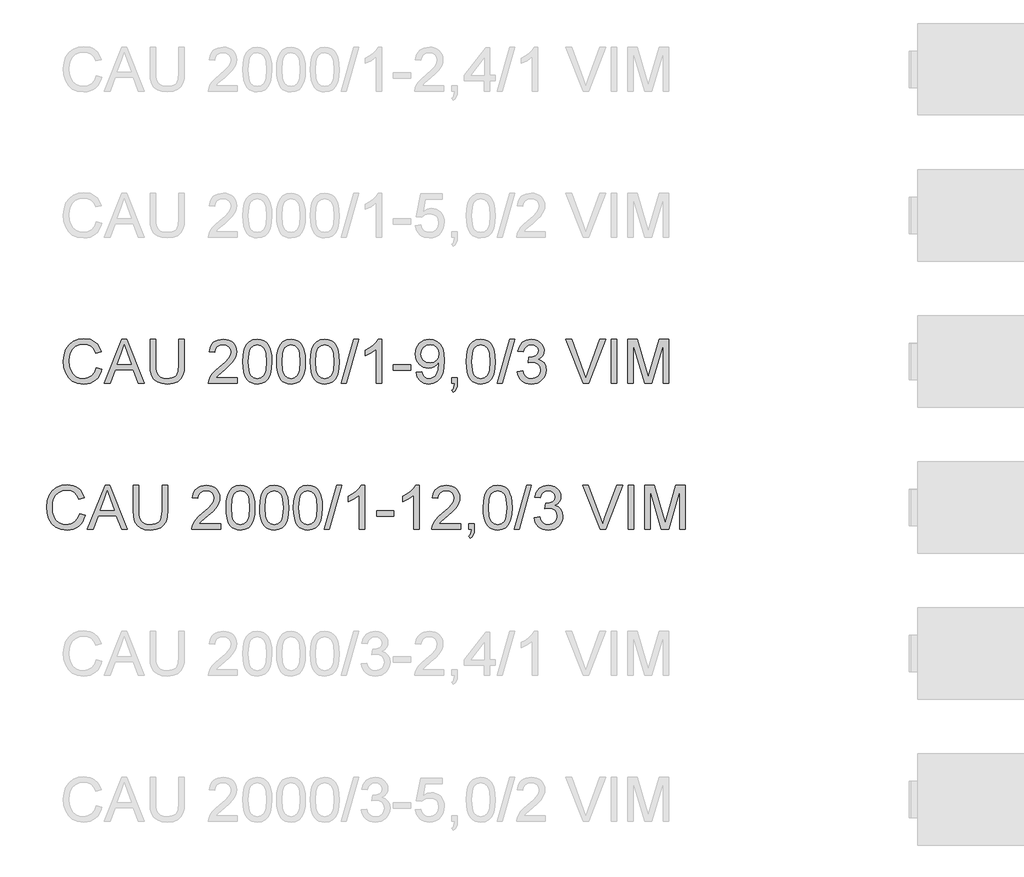
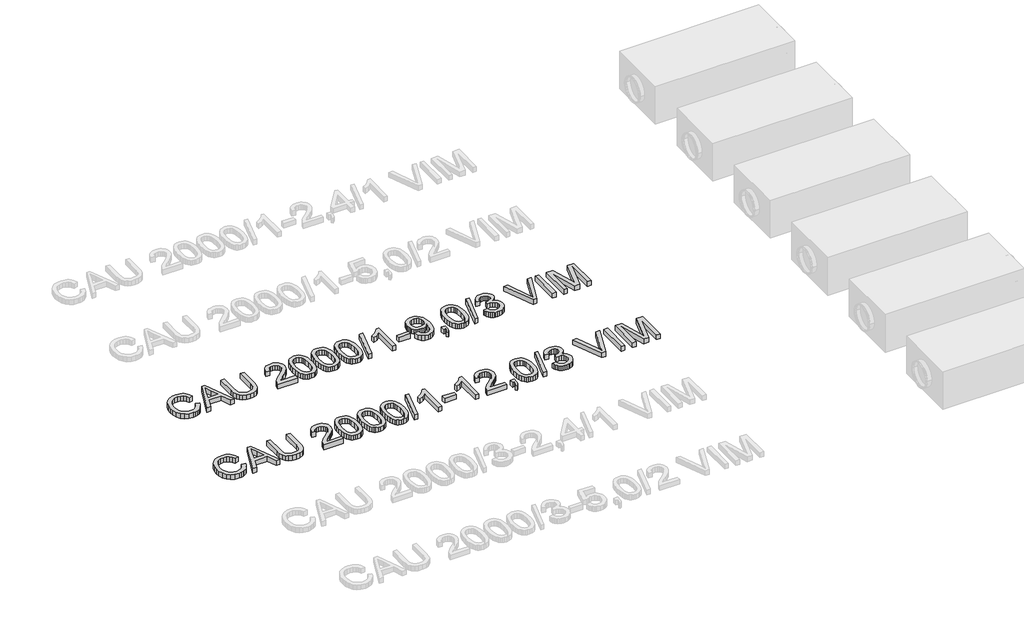
# One storey, part 63 of 74: 2 proxies.
"""IFC4 building model written with IfcOpenShell, lengths in millimetres."""

from ifc_helpers import new_model, si_unit, origin, origin_with_axes, place, context, project, spatial, polyline, outline, extrude, element, save

model = new_model("IFC4")

# Units and contexts
model_context = context("Model", 3, world=origin())
ifc_project = project(units=[si_unit("LENGTHUNIT", "METRE", prefix="MILLI")], contexts=[model_context])

# Site, building, storey
site = spatial("IfcSite", under=ifc_project)
building = spatial("IfcBuilding", under=site)
storey = spatial("IfcBuildingStorey", under=building, Elevation=0.0)

# Proxies
placement = place(None, origin())
element("IfcBuildingElementProxy", 1, Name="Generic Models", at=placement, inside=storey, context=model_context, shape_type="SweptSolid", body=[
    extrude(outline(polyline([(34655.0606318, -5799.1632103), (34692.7317481, -5808.875295), (34685.2775392, -5832.3024803), (34675.3493239, -5852.7728141), (34662.9471021, -5870.2862963), (34648.0708739, -5884.842927), (34631.0563316, -5896.2863563), (34612.2391676, -5904.4602344), (34591.6193818, -5909.3645613), (34569.1969742, -5910.9993369), (34525.5017902, -5906.051324), (34490.801321, -5891.2072855), (34464.2034527, -5866.9822562), (34444.8160716, -5833.8912707), (34432.9794684, -5794.9877497), (34429.033934, -5753.3251137), (34433.4945032, -5709.3816094), (34446.8762108, -5671.4345816), (34468.4800809, -5640.6888439), (34497.6071379, -5618.3492097), (34532.1512572, -5604.7467729), (34570.0063145, -5600.2126274), (34611.3102656, -5606.0803452), (34629.2790018, -5613.4149925), (34645.4589118, -5623.6834986), (34659.5832811, -5636.6145508), (34671.3853954, -5651.9368359), (34688.0228586, -5689.755105), (34650.3517423, -5698.7314257), (34637.2919315, -5671.2598377), (34619.4496547, -5652.4150825), (34596.6041828, -5641.5165784), (34568.5347866, -5637.8837437), (34536.1795651, -5641.9120515), (34509.6000909, -5653.996975), (34489.4309606, -5672.8693214), (34476.3067704, -5697.2598977), (34469.1054803, -5724.8326532), (34466.7050503, -5753.2515373), (34469.5469387, -5788.0531741), (34478.072604, -5818.1459213), (34492.6039428, -5842.3801477), (34513.4628519, -5859.6062222), (34538.4696305, -5869.897721), (34565.4445778, -5873.3282206), (34596.8892913, -5868.6561192), (34623.0916864, -5854.6398152), (34642.8745407, -5831.4264613), (34655.0606318, -5799.1632103)])), origin_with_axes(), (0.0, 0.0, 1.0), 50.0),
    extrude(outline(polyline([(34709.4335907, -5906.2904473), (34829.7310031, -5604.9215169), (34861.8103131, -5604.9215169), (34982.1077255, -5906.2904473), (34942.3028937, -5906.2904473), (34907.7955625, -5812.1126566), (34783.6721773, -5812.1126566), (34749.2384226, -5906.2904473), (34709.4335907, -5906.2904473)]), holes=[polyline([(34797.5045404, -5774.4415403), (34894.0367759, -5774.4415403), (34866.8870847, -5700.3501064), (34845.7706581, -5642.5926332), (34827.0086764, -5693.8753833), (34797.5045404, -5774.4415403)])]), origin_with_axes(), (0.0, 0.0, 1.0), 50.0),
    extrude(outline(polyline([(35220.1273764, -5604.9215169), (35257.7984927, -5604.9215169), (35257.7984927, -5778.7825478), (35255.2417129, -5819.4978876), (35247.5713733, -5850.8506307), (35233.2423696, -5875.0388719), (35210.7095973, -5894.2607061), (35179.9178743, -5906.8146792), (35140.8120183, -5910.9993369), (35102.5614878, -5907.3573051), (35071.981297, -5896.4312099), (35049.0622487, -5878.5981302), (35033.7951459, -5854.235145), (35025.2142983, -5821.5580268), (35022.3540158, -5778.7825478), (35022.3540158, -5604.9215169), (35060.0251321, -5604.9215169), (35060.0251321, -5777.4581726), (35061.8829362, -5811.3125132), (35067.4563484, -5834.8845521), (35077.5547092, -5851.2093156), (35092.9873589, -5863.3218303), (35113.110504, -5870.826623), (35137.2803511, -5873.3282206), (35175.5952609, -5868.3802077), (35189.9380602, -5862.1951917), (35201.0710891, -5853.5361692), (35209.4082148, -5841.3592752), (35215.3633046, -5824.6206444), (35220.1273764, -5777.4581726), (35220.1273764, -5604.9215169)])), origin_with_axes(), (0.0, 0.0, 1.0), 50.0),
    extrude(outline(polyline([(35620.3829872, -5868.619331), (35620.3829872, -5906.2904473), (35422.6096266, -5906.2904473), (35426.6563285, -5880.3179785), (35435.9453489, -5860.0200894), (35449.5385886, -5840.3292056), (35469.2018813, -5819.7186168), (35496.7010604, -5796.6616128), (35537.3520209, -5760.553995), (35561.7425971, -5733.9009444), (35573.9378853, -5712.2694831), (35578.0029813, -5691.226633), (35574.1678115, -5672.3634837), (35562.6623021, -5656.6825136), (35544.9763752, -5646.1151033), (35522.5999529, -5642.5926332), (35499.1014904, -5646.0323299), (35480.8453464, -5656.3514198), (35469.0639255, -5672.7405627), (35464.9896324, -5694.3904181), (35427.3185161, -5689.6815286), (35436.4511866, -5653.242817), (35444.9975452, -5638.7068796), (35456.1972527, -5626.6265546), (35469.7927917, -5617.1306006), (35485.5266448, -5610.3477763), (35523.4092932, -5604.9215169), (35543.599117, -5606.4298331), (35561.5678532, -5610.9547816), (35577.3155019, -5618.4963625), (35590.842063, -5629.0545758), (35601.7060781, -5641.8476722), (35609.466089, -5656.0939024), (35614.1220955, -5671.7932666), (35615.6740976, -5688.9457646), (35614.0002346, -5706.9627853), (35608.9786453, -5724.6671063), (35600.066704, -5742.67493), (35586.7217846, -5761.6024586), (35565.4490082, -5784.1996102), (35532.7534959, -5813.2163026), (35489.4169969, -5849.4526791), (35472.4208487, -5868.619331), (35620.3829872, -5868.619331)])), origin_with_axes(), (0.0, 0.0, 1.0), 50.0),
    extrude(outline(polyline([(35658.0541035, -5758.0340033), (35660.8224155, -5709.7954767), (35669.1273515, -5671.324217), (35682.8861382, -5642.0316132), (35702.0160019, -5621.3290539), (35726.6548985, -5609.0234011), (35756.9407838, -5604.9215169), (35780.1541377, -5607.3495381), (35800.9394704, -5614.6336016), (35818.3218947, -5626.4885989), (35831.3265232, -5642.6294214), (35841.1489725, -5662.9181134), (35848.984859, -5687.2167192), (35854.1168128, -5718.0728216), (35855.8274641, -5758.0340033), (35853.0867432, -5805.9966184), (35844.8645806, -5844.3759076), (35831.1885675, -5873.6961026), (35812.0862949, -5894.4814353), (35787.3922159, -5906.8698615), (35756.9407838, -5910.9993369), (35736.1922393, -5909.2059122), (35717.7981395, -5903.825638), (35701.7584845, -5894.8585143), (35688.0732743, -5882.3045413), (35674.9398871, -5859.6108207), (35665.5588962, -5831.3344908), (35659.9303017, -5797.4755517), (35658.0541035, -5758.0340033)]), holes=[polyline([(35695.7252198, -5757.9604269), (35700.1398037, -5817.2170193), (35705.6580337, -5837.4850179), (35713.3835556, -5851.5128183), (35733.1020305, -5867.87437), (35756.9407838, -5873.3282206), (35780.7795371, -5867.8559759), (35800.498012, -5851.4392419), (35808.2235339, -5837.3884489), (35813.7417638, -5817.1250488), (35818.1563478, -5757.9604269), (35813.8889166, -5700.0374067), (35808.5546277, -5679.8360867), (35801.0866232, -5665.4748933), (35781.4049365, -5648.3131982), (35756.4993254, -5642.5926332), (35732.9180895, -5647.6326165), (35713.9721667, -5662.7525665), (35705.9891275, -5678.3875513), (35700.2869565, -5699.4671897), (35695.7252198, -5757.9604269)])]), origin_with_axes(), (0.0, 0.0, 1.0), 50.0),
    extrude(outline(polyline([(35888.7896909, -5758.0340033), (35891.5580029, -5709.7954767), (35899.8629389, -5671.324217), (35913.6217255, -5642.0316132), (35932.7515893, -5621.3290539), (35957.3904859, -5609.0234011), (35987.6763712, -5604.9215169), (36010.8897251, -5607.3495381), (36031.6750578, -5614.6336016), (36049.0574821, -5626.4885989), (36062.0621106, -5642.6294214), (36071.8845599, -5662.9181134), (36079.7204464, -5687.2167192), (36084.8524002, -5718.0728216), (36086.5630515, -5758.0340033), (36083.8223306, -5805.9966184), (36075.600168, -5844.3759076), (36061.9241548, -5873.6961026), (36042.8218822, -5894.4814353), (36018.1278033, -5906.8698615), (35987.6763712, -5910.9993369), (35966.9278266, -5909.2059122), (35948.5337269, -5903.825638), (35932.4940719, -5894.8585143), (35918.8088617, -5882.3045413), (35905.6754744, -5859.6108207), (35896.2944836, -5831.3344908), (35890.665889, -5797.4755517), (35888.7896909, -5758.0340033)]), holes=[polyline([(35926.4608072, -5757.9604269), (35930.8753911, -5817.2170193), (35936.393621, -5837.4850179), (35944.1191429, -5851.5128183), (35963.8376179, -5867.87437), (35987.6763712, -5873.3282206), (36011.5151244, -5867.8559759), (36031.2335994, -5851.4392419), (36038.9591213, -5837.3884489), (36044.4773512, -5817.1250488), (36048.8919352, -5757.9604269), (36044.624504, -5700.0374067), (36039.2902151, -5679.8360867), (36031.8222106, -5665.4748933), (36012.1405238, -5648.3131982), (35987.2349128, -5642.5926332), (35963.6536769, -5647.6326165), (35944.7077541, -5662.7525665), (35936.7247148, -5678.3875513), (35931.0225439, -5699.4671897), (35926.4608072, -5757.9604269)])]), origin_with_axes(), (0.0, 0.0, 1.0), 50.0),
    extrude(outline(polyline([(36119.5252782, -5758.0340033), (36122.2935902, -5709.7954767), (36130.5985263, -5671.324217), (36144.3573129, -5642.0316132), (36163.4871767, -5621.3290539), (36188.1260733, -5609.0234011), (36218.4119585, -5604.9215169), (36241.6253124, -5607.3495381), (36262.4106452, -5614.6336016), (36279.7930694, -5626.4885989), (36292.797698, -5642.6294214), (36302.6201472, -5662.9181134), (36310.4560337, -5687.2167192), (36315.5879876, -5718.0728216), (36317.2986388, -5758.0340033), (36314.557918, -5805.9966184), (36306.3357554, -5844.3759076), (36292.6597422, -5873.6961026), (36273.5574696, -5894.4814353), (36248.8633907, -5906.8698615), (36218.4119585, -5910.9993369), (36197.663414, -5909.2059122), (36179.2693142, -5903.825638), (36163.2296593, -5894.8585143), (36149.544449, -5882.3045413), (36136.4110618, -5859.6108207), (36127.0300709, -5831.3344908), (36121.4014764, -5797.4755517), (36119.5252782, -5758.0340033)]), holes=[polyline([(36157.1963945, -5757.9604269), (36161.6109785, -5817.2170193), (36167.1292084, -5837.4850179), (36174.8547303, -5851.5128183), (36194.5732052, -5867.87437), (36218.4119585, -5873.3282206), (36242.2507118, -5867.8559759), (36261.9691868, -5851.4392419), (36269.6947087, -5837.3884489), (36275.2129386, -5817.1250488), (36279.6275225, -5757.9604269), (36275.3600914, -5700.0374067), (36270.0258025, -5679.8360867), (36262.557798, -5665.4748933), (36242.8761112, -5648.3131982), (36217.9705001, -5642.5926332), (36194.3892642, -5647.6326165), (36175.4433415, -5662.7525665), (36167.4603022, -5678.3875513), (36161.7581313, -5699.4671897), (36157.1963945, -5757.9604269)])]), origin_with_axes(), (0.0, 0.0, 1.0), 50.0),
    extrude(outline(polyline([(36331.4253075, -5906.2904473), (36416.1853191, -5604.9215169), (36450.1776155, -5604.9215169), (36365.4176038, -5906.2904473), (36331.4253075, -5906.2904473)])), origin_with_axes(), (0.0, 0.0, 1.0), 50.0),
    extrude(outline(polyline([(36609.2497902, -5906.2904473), (36571.5786739, -5906.2904473), (36571.5786739, -5671.4345816), (36535.8941204, -5696.8552275), (36496.2364413, -5715.8747266), (36496.2364413, -5680.2637495), (36525.8233508, -5664.1689122), (36551.4555288, -5645.0206544), (36571.6614474, -5624.6583859), (36584.9695785, -5604.9215169), (36609.2497902, -5604.9215169), (36609.2497902, -5906.2904473)])), origin_with_axes(), (0.0, 0.0, 1.0), 50.0),
    extrude(outline(polyline([(36689.3009124, -5816.8215461), (36689.3009124, -5779.1504298), (36807.0231508, -5779.1504298), (36807.0231508, -5816.8215461), (36689.3009124, -5816.8215461)])), origin_with_axes(), (0.0, 0.0, 1.0), 50.0),
    extrude(outline(polyline([(36844.6942671, -5830.9482147), (36882.3653834, -5826.2393252), (36888.8033183, -5847.6224662), (36899.2879552, -5862.1813961), (36913.5617766, -5870.5415145), (36931.3672652, -5873.3282206), (36947.3425408, -5871.5347958), (36961.8646826, -5866.1545217), (36973.931212, -5857.7760092), (36982.5396507, -5846.9878697), (36994.8636976, -5814.2463721), (37000.3083511, -5770.5419911), (37000.0876219, -5763.1843512), (36987.0370081, -5779.1136416), (36969.9580865, -5791.731994), (36950.0832617, -5799.9541566), (36928.6449384, -5802.6948775), (36910.7497786, -5801.0210144), (36894.2939571, -5795.9994252), (36879.2774739, -5787.6301098), (36865.700329, -5775.9130682), (36854.4500378, -5761.4599044), (36846.4141155, -5744.882222), (36841.5925621, -5726.180021), (36839.9853776, -5705.3533016), (36841.670737, -5683.8322049), (36846.7268151, -5664.5184001), (36855.1536121, -5647.4118873), (36866.9511278, -5632.5126665), (36881.2870293, -5620.4415386), (36897.3289836, -5611.8193043), (36915.0769906, -5606.6459637), (36934.5310503, -5604.9215169), (36962.6280377, -5608.8578542), (36988.2050334, -5620.6668663), (37009.5973715, -5639.7599418), (37025.1403858, -5665.5484697), (37034.6041501, -5701.196235), (37037.7587382, -5749.867023), (37034.6133471, -5801.4716699), (37025.177174, -5841.3592752), (37009.5329921, -5871.3324607), (36987.763575, -5893.1938483), (36960.8070219, -5906.5479647), (36929.6014316, -5910.9993369), (36897.3933629, -5905.7478214), (36871.6968056, -5889.993275), (36853.7257701, -5864.7289789), (36844.6942671, -5830.9482147)]), holes=[polyline([(37000.0876219, -5704.4703848), (36996.0225258, -5678.9393743), (36983.8272377, -5659.2944758), (36964.899709, -5646.7680938), (36940.6378915, -5642.5926332), (36915.474763, -5647.0899906), (36895.3148297, -5660.5820628), (36882.0710778, -5681.2294397), (36877.6564939, -5707.1927116), (36881.8319545, -5730.4704448), (36894.3583365, -5748.947318), (36914.0216291, -5761.0046504), (36939.6078219, -5765.0237612), (36963.6765014, -5761.0046504), (36983.0546855, -5748.947318), (36995.8293878, -5729.7898631), (37000.0876219, -5704.4703848)])]), origin_with_axes(), (0.0, 0.0, 1.0), 50.0),
    extrude(outline(polyline([(37089.5565231, -5906.2904473), (37089.5565231, -5868.619331), (37127.2276394, -5868.619331), (37127.2276394, -5906.2904473), (37125.5353822, -5927.8391352), (37120.4586107, -5944.8076922), (37111.7030192, -5957.8215178), (37098.9743022, -5967.5060113), (37089.5565231, -5953.3793427), (37097.7235034, -5946.5551317), (37103.3888861, -5937.1189585), (37108.3185049, -5906.2904473), (37089.5565231, -5906.2904473)])), origin_with_axes(), (0.0, 0.0, 1.0), 50.0),
    extrude(outline(polyline([(37188.4432034, -5758.0340033), (37191.2115154, -5709.7954767), (37199.5164515, -5671.324217), (37213.2752381, -5642.0316132), (37232.4051018, -5621.3290539), (37257.0439985, -5609.0234011), (37287.3298837, -5604.9215169), (37310.5432376, -5607.3495381), (37331.3285703, -5614.6336016), (37348.7109946, -5626.4885989), (37361.7156231, -5642.6294214), (37371.5380724, -5662.9181134), (37379.3739589, -5687.2167192), (37384.5059127, -5718.0728216), (37386.216564, -5758.0340033), (37383.4758432, -5805.9966184), (37375.2536806, -5844.3759076), (37361.5776674, -5873.6961026), (37342.4753948, -5894.4814353), (37317.7813159, -5906.8698615), (37287.3298837, -5910.9993369), (37266.5813392, -5909.2059122), (37248.1872394, -5903.825638), (37232.1475844, -5894.8585143), (37218.4623742, -5882.3045413), (37205.328987, -5859.6108207), (37195.9479961, -5831.3344908), (37190.3194016, -5797.4755517), (37188.4432034, -5758.0340033)]), holes=[polyline([(37226.1143197, -5757.9604269), (37230.5289037, -5817.2170193), (37236.0471336, -5837.4850179), (37243.7726555, -5851.5128183), (37263.4911304, -5867.87437), (37287.3298837, -5873.3282206), (37311.168637, -5867.8559759), (37330.8871119, -5851.4392419), (37338.6126338, -5837.3884489), (37344.1308638, -5817.1250488), (37348.5454477, -5757.9604269), (37344.2780166, -5700.0374067), (37338.9437276, -5679.8360867), (37331.4757231, -5665.4748933), (37311.7940364, -5648.3131982), (37286.8884253, -5642.5926332), (37263.3071894, -5647.6326165), (37244.3612667, -5662.7525665), (37236.3782274, -5678.3875513), (37230.6760565, -5699.4671897), (37226.1143197, -5757.9604269)])]), origin_with_axes(), (0.0, 0.0, 1.0), 50.0),
    extrude(outline(polyline([(37400.3432326, -5906.2904473), (37485.1032443, -5604.9215169), (37519.0955407, -5604.9215169), (37434.335529, -5906.2904473), (37400.3432326, -5906.2904473)])), origin_with_axes(), (0.0, 0.0, 1.0), 50.0),
    extrude(outline(polyline([(37536.9010292, -5826.2393252), (37574.5721456, -5821.5304357), (37583.0058403, -5845.203642), (37595.3574783, -5861.1881147), (37612.2340648, -5870.2931941), (37634.2426052, -5873.3282206), (37660.0679212, -5869.1527599), (37680.0071254, -5856.626378), (37692.7542365, -5837.9379726), (37697.0032735, -5815.2764417), (37692.7910247, -5793.7645421), (37680.1542782, -5776.3177384), (37661.0244144, -5764.7570467), (37637.3328139, -5760.9034828), (37610.9188867, -5765.0237612), (37615.1127414, -5727.3526449), (37621.1460061, -5727.7941033), (37643.7155665, -5725.0901706), (37663.893894, -5716.9783726), (37678.1309272, -5703.2563742), (37682.8766049, -5683.7218403), (37679.4369083, -5667.452259), (37669.1178183, -5654.2544924), (37653.3724689, -5645.508098), (37633.653994, -5642.5926332), (37613.8987308, -5645.5356892), (37597.7487112, -5654.364857), (37585.9580933, -5669.0801369), (37579.2810351, -5689.6815286), (37541.6099188, -5684.972639), (37552.7015609, -5651.1458896), (37572.43843, -5625.8907906), (37599.4409684, -5610.1638353), (37632.3296188, -5604.9215169), (37656.0120222, -5607.5058879), (37677.7630452, -5615.259001), (37696.1019627, -5627.4910773), (37709.5480496, -5643.5123382), (37717.7978033, -5661.9708173), (37720.5477212, -5681.5145483), (37717.9357591, -5699.724707), (37710.0998726, -5716.2426086), (37697.1504263, -5730.3140949), (37679.197785, -5741.1850079), (37702.7790209, -5750.7131516), (37720.2534156, -5766.9367476), (37731.0691463, -5788.9728791), (37734.6743899, -5815.9386293), (37732.8717681, -5835.050099), (37727.4639027, -5852.6532524), (37718.4507939, -5868.7480897), (37705.8324414, -5883.3346108), (37690.4595726, -5895.4379285), (37673.1829144, -5904.0831554), (37654.0024668, -5909.2702915), (37632.91823, -5910.9993369), (37613.8619426, -5909.5232104), (37596.4979125, -5905.0948309), (37580.8261395, -5897.7141983), (37566.8466237, -5887.3813128), (37555.1249836, -5874.7031795), (37546.2268378, -5860.2868038), (37540.1521864, -5844.1321857), (37536.9010292, -5826.2393252)])), origin_with_axes(), (0.0, 0.0, 1.0), 50.0),
    extrude(outline(polyline([(37988.5129665, -5906.2904473), (37868.5834361, -5604.9215169), (37908.9033028, -5604.9215169), (37989.1751541, -5822.0454704), (38005.4355383, -5870.9737758), (38021.4751933, -5822.0454704), (38101.9677738, -5604.9215169), (38142.2876405, -5604.9215169), (38027.4348816, -5906.2904473), (37988.5129665, -5906.2904473)])), origin_with_axes(), (0.0, 0.0, 1.0), 50.0),
    extrude(outline(polyline([(38182.018896, -5906.2904473), (38182.018896, -5604.9215169), (38219.6900123, -5604.9215169), (38219.6900123, -5906.2904473), (38182.018896, -5906.2904473)])), origin_with_axes(), (0.0, 0.0, 1.0), 50.0),
    extrude(outline(polyline([(38295.0322449, -5906.2904473), (38295.0322449, -5604.9215169), (38359.8530525, -5604.9215169), (38421.5100748, -5817.3365809), (38433.9444863, -5861.7031495), (38447.4089673, -5813.657761), (38508.0359201, -5604.9215169), (38572.8567277, -5604.9215169), (38572.8567277, -5906.2904473), (38535.1856114, -5906.2904473), (38535.1856114, -5642.5926332), (38459.4754968, -5906.2904473), (38408.4134758, -5906.2904473), (38332.7033612, -5642.5926332), (38332.7033612, -5906.2904473), (38295.0322449, -5906.2904473)])), origin_with_axes(), (0.0, 0.0, 1.0), 50.0),
])
element("IfcBuildingElementProxy", 2, Name="Generic Models", at=placement, inside=storey, context=model_context, shape_type="SweptSolid", body=[
    extrude(outline(polyline([(34539.6928381, -6799.1632103), (34577.3639544, -6808.875295), (34569.9097455, -6832.3024803), (34559.9815302, -6852.7728141), (34547.5793084, -6870.2862963), (34532.7030802, -6884.842927), (34515.688538, -6896.2863563), (34496.8713739, -6904.4602344), (34476.2515881, -6909.3645613), (34453.8291805, -6910.9993369), (34410.1339965, -6906.051324), (34375.4335273, -6891.2072855), (34348.835659, -6866.9822562), (34329.4482779, -6833.8912707), (34317.6116747, -6794.9877497), (34313.6661403, -6753.3251137), (34318.1267095, -6709.3816094), (34331.5084171, -6671.4345816), (34353.1122872, -6640.6888439), (34382.2393442, -6618.3492097), (34416.7834636, -6604.7467729), (34454.6385209, -6600.2126274), (34495.9424719, -6606.0803452), (34513.9112081, -6613.4149925), (34530.0911181, -6623.6834986), (34544.2154874, -6636.6145508), (34556.0176017, -6651.9368359), (34572.6550649, -6689.755105), (34534.9839486, -6698.7314257), (34521.9241378, -6671.2598377), (34504.081861, -6652.4150825), (34481.2363891, -6641.5165784), (34453.1669929, -6637.8837437), (34420.8117714, -6641.9120515), (34394.2322973, -6653.996975), (34374.0631669, -6672.8693214), (34360.9389767, -6697.2598977), (34353.7376866, -6724.8326532), (34351.3372566, -6753.2515373), (34354.179145, -6788.0531741), (34362.7048103, -6818.1459213), (34377.2361491, -6842.3801477), (34398.0950582, -6859.6062222), (34423.1018368, -6869.897721), (34450.0767841, -6873.3282206), (34481.5214977, -6868.6561192), (34507.7238928, -6854.6398152), (34527.5067471, -6831.4264613), (34539.6928381, -6799.1632103)])), origin_with_axes(), (0.0, 0.0, 1.0), 50.0),
    extrude(outline(polyline([(34594.065797, -6906.2904473), (34714.3632095, -6604.9215169), (34746.4425194, -6604.9215169), (34866.7399319, -6906.2904473), (34826.9351, -6906.2904473), (34792.4277688, -6812.1126566), (34668.3043837, -6812.1126566), (34633.8706289, -6906.2904473), (34594.065797, -6906.2904473)]), holes=[polyline([(34682.1367467, -6774.4415403), (34778.6689822, -6774.4415403), (34751.519291, -6700.3501064), (34730.4028644, -6642.5926332), (34711.6408827, -6693.8753833), (34682.1367467, -6774.4415403)])]), origin_with_axes(), (0.0, 0.0, 1.0), 50.0),
    extrude(outline(polyline([(35104.7595827, -6604.9215169), (35142.430699, -6604.9215169), (35142.430699, -6778.7825478), (35139.8739192, -6819.4978876), (35132.2035796, -6850.8506307), (35117.8745759, -6875.0388719), (35095.3418037, -6894.2607061), (35064.5500807, -6906.8146792), (35025.4442246, -6910.9993369), (34987.1936941, -6907.3573051), (34956.6135033, -6896.4312099), (34933.694455, -6878.5981302), (34918.4273522, -6854.235145), (34909.8465046, -6821.5580268), (34906.9862221, -6778.7825478), (34906.9862221, -6604.9215169), (34944.6573384, -6604.9215169), (34944.6573384, -6777.4581726), (34946.5151425, -6811.3125132), (34952.0885547, -6834.8845521), (34962.1869155, -6851.2093156), (34977.6195652, -6863.3218303), (34997.7427103, -6870.826623), (35021.9125574, -6873.3282206), (35060.2274672, -6868.3802077), (35074.5702665, -6862.1951917), (35085.7032954, -6853.5361692), (35094.0404211, -6841.3592752), (35099.9955109, -6824.6206444), (35104.7595827, -6777.4581726), (35104.7595827, -6604.9215169)])), origin_with_axes(), (0.0, 0.0, 1.0), 50.0),
    extrude(outline(polyline([(35505.0151935, -6868.619331), (35505.0151935, -6906.2904473), (35307.2418329, -6906.2904473), (35311.2885348, -6880.3179785), (35320.5775552, -6860.0200894), (35334.1707949, -6840.3292056), (35353.8340876, -6819.7186168), (35381.3332667, -6796.6616128), (35421.9842272, -6760.553995), (35446.3748035, -6733.9009444), (35458.5700916, -6712.2694831), (35462.6351876, -6691.226633), (35458.8000178, -6672.3634837), (35447.2945084, -6656.6825136), (35429.6085815, -6646.1151033), (35407.2321592, -6642.5926332), (35383.7336967, -6646.0323299), (35365.4775527, -6656.3514198), (35353.6961318, -6672.7405627), (35349.6218387, -6694.3904181), (35311.9507224, -6689.6815286), (35321.0833929, -6653.242817), (35329.6297515, -6638.7068796), (35340.829459, -6626.6265546), (35354.424998, -6617.1306006), (35370.1588511, -6610.3477763), (35408.0414996, -6604.9215169), (35428.2313233, -6606.4298331), (35446.2000595, -6610.9547816), (35461.9477082, -6618.4963625), (35475.4742693, -6629.0545758), (35486.3382844, -6641.8476722), (35494.0982953, -6656.0939024), (35498.7543018, -6671.7932666), (35500.3063039, -6688.9457646), (35498.6324409, -6706.9627853), (35493.6108516, -6724.6671063), (35484.6989103, -6742.67493), (35471.3539909, -6761.6024586), (35450.0812146, -6784.1996102), (35417.3857022, -6813.2163026), (35374.0492032, -6849.4526791), (35357.053055, -6868.619331), (35505.0151935, -6868.619331)])), origin_with_axes(), (0.0, 0.0, 1.0), 50.0),
    extrude(outline(polyline([(35542.6863098, -6758.0340033), (35545.4546218, -6709.7954767), (35553.7595578, -6671.324217), (35567.5183445, -6642.0316132), (35586.6482082, -6621.3290539), (35611.2871048, -6609.0234011), (35641.5729901, -6604.9215169), (35664.786344, -6607.3495381), (35685.5716767, -6614.6336016), (35702.954101, -6626.4885989), (35715.9587295, -6642.6294214), (35725.7811788, -6662.9181134), (35733.6170653, -6687.2167192), (35738.7490191, -6718.0728216), (35740.4596704, -6758.0340033), (35737.7189495, -6805.9966184), (35729.4967869, -6844.3759076), (35715.8207738, -6873.6961026), (35696.7185012, -6894.4814353), (35672.0244222, -6906.8698615), (35641.5729901, -6910.9993369), (35620.8244456, -6909.2059122), (35602.4303458, -6903.825638), (35586.3906908, -6894.8585143), (35572.7054806, -6882.3045413), (35559.5720934, -6859.6108207), (35550.1911025, -6831.3344908), (35544.562508, -6797.4755517), (35542.6863098, -6758.0340033)]), holes=[polyline([(35580.3574261, -6757.9604269), (35584.77201, -6817.2170193), (35590.29024, -6837.4850179), (35598.0157619, -6851.5128183), (35617.7342368, -6867.87437), (35641.5729901, -6873.3282206), (35665.4117434, -6867.8559759), (35685.1302183, -6851.4392419), (35692.8557402, -6837.3884489), (35698.3739702, -6817.1250488), (35702.7885541, -6757.9604269), (35698.5211229, -6700.0374067), (35693.186834, -6679.8360867), (35685.7188295, -6665.4748933), (35666.0371428, -6648.3131982), (35641.1315317, -6642.5926332), (35617.5502958, -6647.6326165), (35598.6043731, -6662.7525665), (35590.6213338, -6678.3875513), (35584.9191628, -6699.4671897), (35580.3574261, -6757.9604269)])]), origin_with_axes(), (0.0, 0.0, 1.0), 50.0),
    extrude(outline(polyline([(35773.4218972, -6758.0340033), (35776.1902092, -6709.7954767), (35784.4951452, -6671.324217), (35798.2539318, -6642.0316132), (35817.3837956, -6621.3290539), (35842.0226922, -6609.0234011), (35872.3085775, -6604.9215169), (35895.5219314, -6607.3495381), (35916.3072641, -6614.6336016), (35933.6896884, -6626.4885989), (35946.6943169, -6642.6294214), (35956.5167662, -6662.9181134), (35964.3526527, -6687.2167192), (35969.4846065, -6718.0728216), (35971.1952578, -6758.0340033), (35968.4545369, -6805.9966184), (35960.2323743, -6844.3759076), (35946.5563611, -6873.6961026), (35927.4540885, -6894.4814353), (35902.7600096, -6906.8698615), (35872.3085775, -6910.9993369), (35851.5600329, -6909.2059122), (35833.1659332, -6903.825638), (35817.1262782, -6894.8585143), (35803.441068, -6882.3045413), (35790.3076807, -6859.6108207), (35780.9266899, -6831.3344908), (35775.2980953, -6797.4755517), (35773.4218972, -6758.0340033)]), holes=[polyline([(35811.0930135, -6757.9604269), (35815.5075974, -6817.2170193), (35821.0258273, -6837.4850179), (35828.7513492, -6851.5128183), (35848.4698242, -6867.87437), (35872.3085775, -6873.3282206), (35896.1473308, -6867.8559759), (35915.8658057, -6851.4392419), (35923.5913276, -6837.3884489), (35929.1095575, -6817.1250488), (35933.5241415, -6757.9604269), (35929.2567103, -6700.0374067), (35923.9224214, -6679.8360867), (35916.4544169, -6665.4748933), (35896.7727302, -6648.3131982), (35871.8671191, -6642.5926332), (35848.2858832, -6647.6326165), (35829.3399604, -6662.7525665), (35821.3569211, -6678.3875513), (35815.6547502, -6699.4671897), (35811.0930135, -6757.9604269)])]), origin_with_axes(), (0.0, 0.0, 1.0), 50.0),
    extrude(outline(polyline([(36004.1574845, -6758.0340033), (36006.9257966, -6709.7954767), (36015.2307326, -6671.324217), (36028.9895192, -6642.0316132), (36048.119383, -6621.3290539), (36072.7582796, -6609.0234011), (36103.0441648, -6604.9215169), (36126.2575187, -6607.3495381), (36147.0428515, -6614.6336016), (36164.4252757, -6626.4885989), (36177.4299043, -6642.6294214), (36187.2523535, -6662.9181134), (36195.08824, -6687.2167192), (36200.2201939, -6718.0728216), (36201.9308451, -6758.0340033), (36199.1901243, -6805.9966184), (36190.9679617, -6844.3759076), (36177.2919485, -6873.6961026), (36158.1896759, -6894.4814353), (36133.495597, -6906.8698615), (36103.0441648, -6910.9993369), (36082.2956203, -6909.2059122), (36063.9015206, -6903.825638), (36047.8618656, -6894.8585143), (36034.1766553, -6882.3045413), (36021.0432681, -6859.6108207), (36011.6622772, -6831.3344908), (36006.0336827, -6797.4755517), (36004.1574845, -6758.0340033)]), holes=[polyline([(36041.8286008, -6757.9604269), (36046.2431848, -6817.2170193), (36051.7614147, -6837.4850179), (36059.4869366, -6851.5128183), (36079.2054116, -6867.87437), (36103.0441648, -6873.3282206), (36126.8829181, -6867.8559759), (36146.6013931, -6851.4392419), (36154.326915, -6837.3884489), (36159.8451449, -6817.1250488), (36164.2597288, -6757.9604269), (36159.9922977, -6700.0374067), (36154.6580088, -6679.8360867), (36147.1900043, -6665.4748933), (36127.5083175, -6648.3131982), (36102.6027065, -6642.5926332), (36079.0214706, -6647.6326165), (36060.0755478, -6662.7525665), (36052.0925085, -6678.3875513), (36046.3903376, -6699.4671897), (36041.8286008, -6757.9604269)])]), origin_with_axes(), (0.0, 0.0, 1.0), 50.0),
    extrude(outline(polyline([(36216.0575138, -6906.2904473), (36300.8175255, -6604.9215169), (36334.8098218, -6604.9215169), (36250.0498101, -6906.2904473), (36216.0575138, -6906.2904473)])), origin_with_axes(), (0.0, 0.0, 1.0), 50.0),
    extrude(outline(polyline([(36493.8819965, -6906.2904473), (36456.2108802, -6906.2904473), (36456.2108802, -6671.4345816), (36420.5263267, -6696.8552275), (36380.8686476, -6715.8747266), (36380.8686476, -6680.2637495), (36410.4555571, -6664.1689122), (36436.0877351, -6645.0206544), (36456.2936537, -6624.6583859), (36469.6017848, -6604.9215169), (36493.8819965, -6604.9215169), (36493.8819965, -6906.2904473)])), origin_with_axes(), (0.0, 0.0, 1.0), 50.0),
    extrude(outline(polyline([(36573.9331187, -6816.8215461), (36573.9331187, -6779.1504298), (36691.6553571, -6779.1504298), (36691.6553571, -6816.8215461), (36573.9331187, -6816.8215461)])), origin_with_axes(), (0.0, 0.0, 1.0), 50.0),
    extrude(outline(polyline([(36865.88427, -6906.2904473), (36828.2131537, -6906.2904473), (36828.2131537, -6671.4345816), (36792.5286002, -6696.8552275), (36752.8709211, -6715.8747266), (36752.8709211, -6680.2637495), (36782.4578306, -6664.1689122), (36808.0900086, -6645.0206544), (36828.2959272, -6624.6583859), (36841.6040584, -6604.9215169), (36865.88427, -6604.9215169), (36865.88427, -6906.2904473)])), origin_with_axes(), (0.0, 0.0, 1.0), 50.0),
    extrude(outline(polyline([(37148.4176423, -6868.619331), (37148.4176423, -6906.2904473), (36950.6442817, -6906.2904473), (36954.6909837, -6880.3179785), (36963.9800041, -6860.0200894), (36977.5732438, -6840.3292056), (36997.2365364, -6819.7186168), (37024.7357156, -6796.6616128), (37065.386676, -6760.553995), (37089.7772523, -6733.9009444), (37101.9725404, -6712.2694831), (37106.0376365, -6691.226633), (37102.2024667, -6672.3634837), (37090.6969573, -6656.6825136), (37073.0110304, -6646.1151033), (37050.634608, -6642.5926332), (37027.1361456, -6646.0323299), (37008.8800016, -6656.3514198), (36997.0985807, -6672.7405627), (36993.0242876, -6694.3904181), (36955.3531713, -6689.6815286), (36964.4858418, -6653.242817), (36973.0322004, -6638.7068796), (36984.2319079, -6626.6265546), (36997.8274469, -6617.1306006), (37013.5613, -6610.3477763), (37051.4439484, -6604.9215169), (37071.6337722, -6606.4298331), (37089.6025084, -6610.9547816), (37105.350157, -6618.4963625), (37118.8767181, -6629.0545758), (37129.7407333, -6641.8476722), (37137.5007441, -6656.0939024), (37142.1567506, -6671.7932666), (37143.7087528, -6688.9457646), (37142.0348897, -6706.9627853), (37137.0133005, -6724.6671063), (37128.1013592, -6742.67493), (37114.7564398, -6761.6024586), (37093.4836634, -6784.1996102), (37060.7881511, -6813.2163026), (37017.4516521, -6849.4526791), (37000.4555039, -6868.619331), (37148.4176423, -6868.619331)])), origin_with_axes(), (0.0, 0.0, 1.0), 50.0),
    extrude(outline(polyline([(37204.9243168, -6906.2904473), (37204.9243168, -6868.619331), (37242.5954331, -6868.619331), (37242.5954331, -6906.2904473), (37240.9031759, -6927.8391352), (37235.8264044, -6944.8076922), (37227.0708129, -6957.8215178), (37214.3420959, -6967.5060113), (37204.9243168, -6953.3793427), (37213.0912971, -6946.5551317), (37218.7566798, -6937.1189585), (37223.6862986, -6906.2904473), (37204.9243168, -6906.2904473)])), origin_with_axes(), (0.0, 0.0, 1.0), 50.0),
    extrude(outline(polyline([(37303.8109971, -6758.0340033), (37306.5793091, -6709.7954767), (37314.8842452, -6671.324217), (37328.6430318, -6642.0316132), (37347.7728955, -6621.3290539), (37372.4117922, -6609.0234011), (37402.6976774, -6604.9215169), (37425.9110313, -6607.3495381), (37446.696364, -6614.6336016), (37464.0787883, -6626.4885989), (37477.0834168, -6642.6294214), (37486.9058661, -6662.9181134), (37494.7417526, -6687.2167192), (37499.8737064, -6718.0728216), (37501.5843577, -6758.0340033), (37498.8436368, -6805.9966184), (37490.6214743, -6844.3759076), (37476.9454611, -6873.6961026), (37457.8431885, -6894.4814353), (37433.1491096, -6906.8698615), (37402.6976774, -6910.9993369), (37381.9491329, -6909.2059122), (37363.5550331, -6903.825638), (37347.5153781, -6894.8585143), (37333.8301679, -6882.3045413), (37320.6967807, -6859.6108207), (37311.3157898, -6831.3344908), (37305.6871953, -6797.4755517), (37303.8109971, -6758.0340033)]), holes=[polyline([(37341.4821134, -6757.9604269), (37345.8966974, -6817.2170193), (37351.4149273, -6837.4850179), (37359.1404492, -6851.5128183), (37378.8589241, -6867.87437), (37402.6976774, -6873.3282206), (37426.5364307, -6867.8559759), (37446.2549056, -6851.4392419), (37453.9804275, -6837.3884489), (37459.4986575, -6817.1250488), (37463.9132414, -6757.9604269), (37459.6458103, -6700.0374067), (37454.3115213, -6679.8360867), (37446.8435168, -6665.4748933), (37427.1618301, -6648.3131982), (37402.256219, -6642.5926332), (37378.6749831, -6647.6326165), (37359.7290604, -6662.7525665), (37351.7460211, -6678.3875513), (37346.0438501, -6699.4671897), (37341.4821134, -6757.9604269)])]), origin_with_axes(), (0.0, 0.0, 1.0), 50.0),
    extrude(outline(polyline([(37515.7110263, -6906.2904473), (37600.471038, -6604.9215169), (37634.4633344, -6604.9215169), (37549.7033227, -6906.2904473), (37515.7110263, -6906.2904473)])), origin_with_axes(), (0.0, 0.0, 1.0), 50.0),
    extrude(outline(polyline([(37652.2688229, -6826.2393252), (37689.9399392, -6821.5304357), (37698.373634, -6845.203642), (37710.725272, -6861.1881147), (37727.6018585, -6870.2931941), (37749.6103989, -6873.3282206), (37775.4357149, -6869.1527599), (37795.3749191, -6856.626378), (37808.1220302, -6837.9379726), (37812.3710672, -6815.2764417), (37808.1588184, -6793.7645421), (37795.5220719, -6776.3177384), (37776.3922081, -6764.7570467), (37752.7006076, -6760.9034828), (37726.2866804, -6765.0237612), (37730.4805351, -6727.3526449), (37736.5137998, -6727.7941033), (37759.0833602, -6725.0901706), (37779.2616877, -6716.9783726), (37793.4987209, -6703.2563742), (37798.2443986, -6683.7218403), (37794.804702, -6667.452259), (37784.485612, -6654.2544924), (37768.7402626, -6645.508098), (37749.0217877, -6642.5926332), (37729.2665245, -6645.5356892), (37713.1165049, -6654.364857), (37701.325887, -6669.0801369), (37694.6488288, -6689.6815286), (37656.9777125, -6684.972639), (37668.0693546, -6651.1458896), (37687.8062237, -6625.8907906), (37714.8087621, -6610.1638353), (37747.6974125, -6604.9215169), (37771.3798159, -6607.5058879), (37793.1308389, -6615.259001), (37811.4697563, -6627.4910773), (37824.9158433, -6643.5123382), (37833.165597, -6661.9708173), (37835.9155149, -6681.5145483), (37833.3035528, -6699.724707), (37825.4676663, -6716.2426086), (37812.51822, -6730.3140949), (37794.5655787, -6741.1850079), (37818.1468146, -6750.7131516), (37835.6212093, -6766.9367476), (37846.43694, -6788.9728791), (37850.0421835, -6815.9386293), (37848.2395618, -6835.050099), (37842.8316964, -6852.6532524), (37833.8185876, -6868.7480897), (37821.2002351, -6883.3346108), (37805.8273662, -6895.4379285), (37788.550708, -6904.0831554), (37769.3702605, -6909.2702915), (37748.2860237, -6910.9993369), (37729.2297363, -6909.5232104), (37711.8657062, -6905.0948309), (37696.1939332, -6897.7141983), (37682.2144173, -6887.3813128), (37670.4927773, -6874.7031795), (37661.5946315, -6860.2868038), (37655.5199801, -6844.1321857), (37652.2688229, -6826.2393252)])), origin_with_axes(), (0.0, 0.0, 1.0), 50.0),
    extrude(outline(polyline([(38103.8807602, -6906.2904473), (37983.9512298, -6604.9215169), (38024.2710965, -6604.9215169), (38104.5429478, -6822.0454704), (38120.803332, -6870.9737758), (38136.842987, -6822.0454704), (38217.3355675, -6604.9215169), (38257.6554342, -6604.9215169), (38142.8026753, -6906.2904473), (38103.8807602, -6906.2904473)])), origin_with_axes(), (0.0, 0.0, 1.0), 50.0),
    extrude(outline(polyline([(38297.3866897, -6906.2904473), (38297.3866897, -6604.9215169), (38335.057806, -6604.9215169), (38335.057806, -6906.2904473), (38297.3866897, -6906.2904473)])), origin_with_axes(), (0.0, 0.0, 1.0), 50.0),
    extrude(outline(polyline([(38410.4000386, -6906.2904473), (38410.4000386, -6604.9215169), (38475.2208461, -6604.9215169), (38536.8778685, -6817.3365809), (38549.31228, -6861.7031495), (38562.776761, -6813.657761), (38623.4037138, -6604.9215169), (38688.2245214, -6604.9215169), (38688.2245214, -6906.2904473), (38650.553405, -6906.2904473), (38650.553405, -6642.5926332), (38574.8432904, -6906.2904473), (38523.7812695, -6906.2904473), (38448.0711549, -6642.5926332), (38448.0711549, -6906.2904473), (38410.4000386, -6906.2904473)])), origin_with_axes(), (0.0, 0.0, 1.0), 50.0),
])

save(model, "model.ifc")
